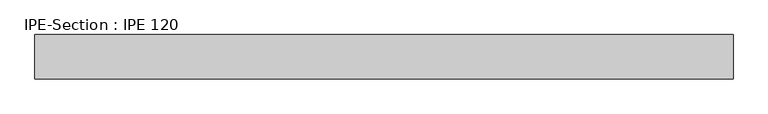
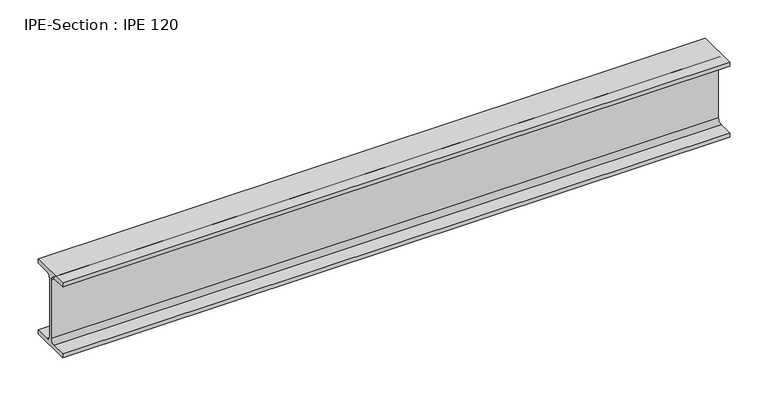
"""IFC4 building model written with IfcOpenShell, lengths in millimetres: beam geometry, IPE-Section : IPE 120."""

from ifc_helpers import new_model, si_unit, point, frame, frame_2d, origin, place, context, project, spatial, polyline, circle_curve, trimmed, segment, composite_curve, outline, extrude, source, transform, mapped, element, save


def ipe_section_ipe_120_6966e1e2(model_context):
    return source(origin(), model_context, "Body", "SweptSolid", [
        extrude(outline(composite_curve([segment(polyline([(32.0, -53.7), (32.0, -60.0), (-32.0, -60.0), (-32.0, -53.7), (-9.2, -53.7)]), True, "CONTINUOUS"), segment(trimmed(circle_curve(frame_2d((-9.2, -46.7)), 7.0), [point((-9.2, -53.7))], [point((-2.2, -46.7))], True, "CARTESIAN"), True, "CONTINUOUS"), segment(polyline([(-2.2, -46.7), (-2.2, 46.7)]), True, "CONTINUOUS"), segment(trimmed(circle_curve(frame_2d((-9.2, 46.7)), 7.0), [point((-2.2, 46.7))], [point((-9.2, 53.7))], True, "CARTESIAN"), True, "CONTINUOUS"), segment(polyline([(-9.2, 53.7), (-32.0, 53.7), (-32.0, 60.0), (32.0, 60.0), (32.0, 53.7), (9.2, 53.7)]), True, "CONTINUOUS"), segment(trimmed(circle_curve(frame_2d((9.2, 46.7)), 7.0), [point((9.2, 53.7))], [point((2.2, 46.7))], True, "CARTESIAN"), True, "CONTINUOUS"), segment(polyline([(2.2, 46.7), (2.2, -46.7)]), True, "CONTINUOUS"), segment(trimmed(circle_curve(frame_2d((9.2, -46.7)), 7.0), [point((2.2, -46.7))], [point((9.2, -53.7))], True, "CARTESIAN"), True, "CONTINUOUS"), segment(polyline([(9.2, -53.7), (32.0, -53.7)]), True, "CONTINUOUS")], self_intersect=False)), frame((-548.9215889, 0.0, 0.0), z_axis=(1.0, 0.0, 0.0), x_axis=(0.0, 1.0, 0.0)), (0.0, 0.0, 1.0), 1010.1431777),
    ])


if __name__ == "__main__":
    model = new_model("IFC4")
    model_context = context("Model", 3, world=origin())
    ifc_project = project(units=[si_unit("LENGTHUNIT", "METRE", prefix="MILLI")], contexts=[model_context])
    site = spatial("IfcSite", under=ifc_project)
    building = spatial("IfcBuilding", under=site)
    placement = place(None, origin())
    ipe_section_ipe_120_shape = ipe_section_ipe_120_6966e1e2(model_context)
    element("IfcBeam", 1, ObjectType="IPE-Section : IPE 120", at=placement, inside=building, context=model_context, shape_type="MappedRepresentation", body=[
        mapped(ipe_section_ipe_120_shape, transform((0.0, 0.0, 0.0), x_axis=(1.0, 0.0, 0.0), y_axis=(0.0, 1.0, 0.0), z_axis=(0.0, 0.0, 1.0))),
    ])
    save(model, "model.ifc")
